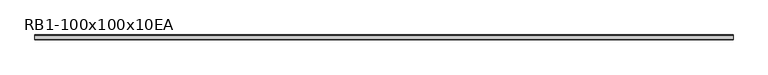
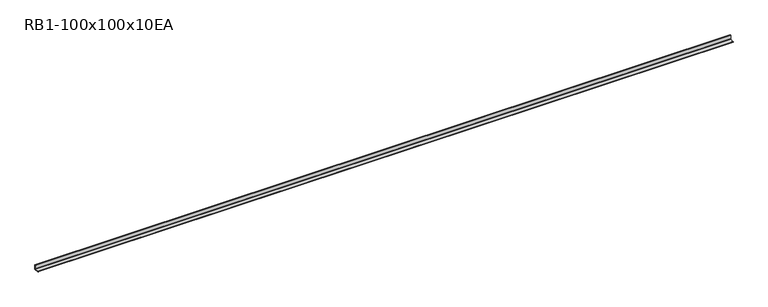
"""IFC4 building model written with IfcOpenShell, lengths in millimetres: member geometry, RB1-100x100x10EA."""

from ifc_helpers import new_model, si_unit, point, frame, frame_2d, origin, place, context, project, spatial, polyline, circle_curve, trimmed, segment, composite_curve, outline, extrude, source, transform, mapped, element, save


def rb1_100x100x10ea_2bb404c0(model_context):
    return source(origin(), model_context, "Body", "SweptSolid", [
        extrude(outline(composite_curve([segment(polyline([(28.2, -28.2), (-71.8, -28.2), (-71.8, -23.2)]), True, "CONTINUOUS"), segment(trimmed(circle_curve(frame_2d((-66.8, -23.2)), 5.0), [point((-71.8, -23.2))], [point((-66.8, -18.2))], False, "CARTESIAN"), True, "CONTINUOUS"), segment(polyline([(-66.8, -18.2), (10.2, -18.2)]), True, "CONTINUOUS"), segment(trimmed(circle_curve(frame_2d((10.2, -10.2)), 8.0), [point((10.2, -18.2))], [point((18.2, -10.2))], True, "CARTESIAN"), True, "CONTINUOUS"), segment(polyline([(18.2, -10.2), (18.2, 66.8)]), True, "CONTINUOUS"), segment(trimmed(circle_curve(frame_2d((23.2, 66.8)), 5.0), [point((18.2, 66.8))], [point((23.2, 71.8))], False, "CARTESIAN"), True, "CONTINUOUS"), segment(polyline([(23.2, 71.8), (28.2, 71.8), (28.2, -28.2)]), True, "CONTINUOUS")], self_intersect=False)), frame((-7261.0, 0.0, 0.0), z_axis=(1.0, 0.0, 0.0), x_axis=(0.0, 1.0, 0.0)), (0.0, 0.0, 1.0), 14575.1996153),
    ])


if __name__ == "__main__":
    model = new_model("IFC4")
    model_context = context("Model", 3, world=origin())
    ifc_project = project(units=[si_unit("LENGTHUNIT", "METRE", prefix="MILLI")], contexts=[model_context])
    site = spatial("IfcSite", under=ifc_project)
    building = spatial("IfcBuilding", under=site)
    placement = place(None, origin())
    rb1_100x100x10ea_shape = rb1_100x100x10ea_2bb404c0(model_context)
    element("IfcMember", 1, ObjectType="RB1-100x100x10EA", at=placement, inside=building, context=model_context, shape_type="MappedRepresentation", body=[
        mapped(rb1_100x100x10ea_shape, transform((0.0, 0.0, 0.0), x_axis=(1.0, 0.0, 0.0), y_axis=(0.0, 1.0, 0.0), z_axis=(0.0, 0.0, 1.0))),
    ])
    save(model, "model.ifc")
